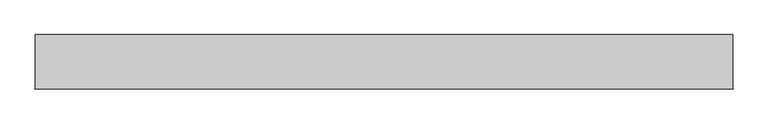
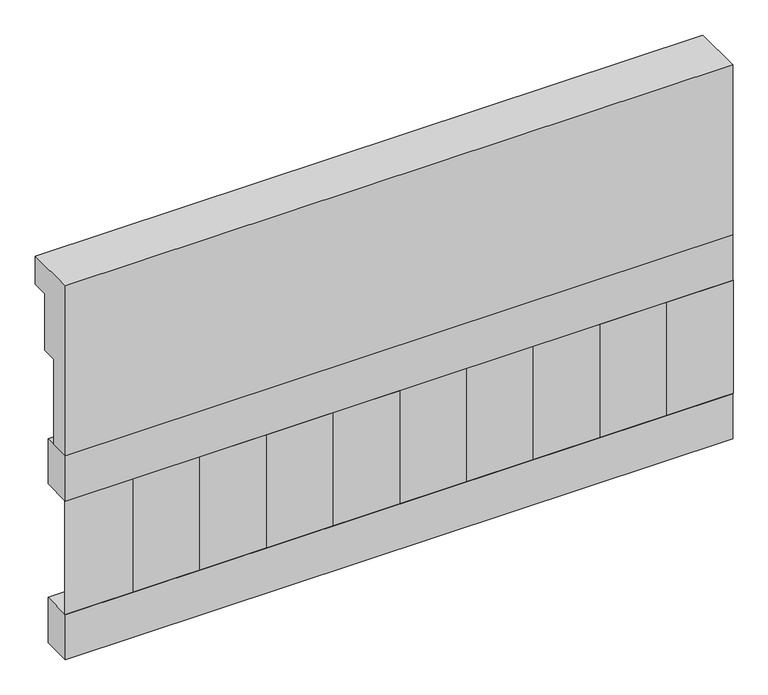
"""IFC4 building model written with IfcOpenShell, lengths in millimetres: railing geometry."""

from ifc_helpers import new_model, si_unit, frame, origin, place, context, project, spatial, polyline, outline, extrude, source, transform, mapped, element, save


def railing_bc76fb91(model_context):
    return source(origin(), model_context, "Body", "SweptSolid", [
        extrude(outline(polyline([(903.1079487, 21800.0), (1033.1079487, 21800.0), (1033.1079487, 21725.0), (993.1079487, 21725.0), (993.1079487, 21575.0), (953.1079487, 21575.0), (953.1079487, 21350.0), (903.1079487, 21350.0), (903.1079487, 21800.0)])), frame((-33139.9887159, 0.0, 0.0), z_axis=(1.0, 0.0, 0.0), x_axis=(0.0, 1.0, 0.0)), (0.0, 0.0, 1.0), 1670.0),
        extrude(outline(polyline([(-31469.9887159, 978.1079487), (-31469.9887159, 903.1079487), (-33139.9887159, 903.1079487), (-33139.9887159, 978.1079487), (-31469.9887159, 978.1079487)])), frame((0.0, 0.0, 21230.0), z_axis=(0.0, 0.0, 1.0), x_axis=(1.0, 0.0, 0.0)), (0.0, 0.0, 1.0), 120.0),
        extrude(outline(polyline([(-31469.9887159, 978.1079487), (-31469.9887159, 903.1079487), (-33139.9887159, 903.1079487), (-33139.9887159, 978.1079487), (-31469.9887159, 978.1079487)])), frame((0.0, 0.0, 20810.0), z_axis=(0.0, 0.0, 1.0), x_axis=(1.0, 0.0, 0.0)), (0.0, 0.0, 1.0), 120.0),
        extrude(outline(polyline([(-33056.4887159, 987.9607624), (-32971.6359022, 903.1079487), (-33141.3415296, 903.1079487), (-33056.4887159, 987.9607624)])), frame((0.0, 0.0, 20930.0), z_axis=(0.0, 0.0, 1.0), x_axis=(1.0, 0.0, 0.0)), (0.0, 0.0, 1.0), 300.0),
        extrude(outline(polyline([(-32889.4887159, 987.9607624), (-32804.6359022, 903.1079487), (-32974.3415296, 903.1079487), (-32889.4887159, 987.9607624)])), frame((0.0, 0.0, 20930.0), z_axis=(0.0, 0.0, 1.0), x_axis=(1.0, 0.0, 0.0)), (0.0, 0.0, 1.0), 300.0),
        extrude(outline(polyline([(-32722.4887159, 987.9607624), (-32637.6359022, 903.1079487), (-32807.3415296, 903.1079487), (-32722.4887159, 987.9607624)])), frame((0.0, 0.0, 20930.0), z_axis=(0.0, 0.0, 1.0), x_axis=(1.0, 0.0, 0.0)), (0.0, 0.0, 1.0), 300.0),
        extrude(outline(polyline([(-32555.4887159, 987.9607624), (-32470.6359022, 903.1079487), (-32640.3415296, 903.1079487), (-32555.4887159, 987.9607624)])), frame((0.0, 0.0, 20930.0), z_axis=(0.0, 0.0, 1.0), x_axis=(1.0, 0.0, 0.0)), (0.0, 0.0, 1.0), 300.0),
        extrude(outline(polyline([(-32388.4887159, 987.9607624), (-32303.6359022, 903.1079487), (-32473.3415296, 903.1079487), (-32388.4887159, 987.9607624)])), frame((0.0, 0.0, 20930.0), z_axis=(0.0, 0.0, 1.0), x_axis=(1.0, 0.0, 0.0)), (0.0, 0.0, 1.0), 300.0),
        extrude(outline(polyline([(-32221.4887159, 987.9607624), (-32136.6359022, 903.1079487), (-32306.3415296, 903.1079487), (-32221.4887159, 987.9607624)])), frame((0.0, 0.0, 20930.0), z_axis=(0.0, 0.0, 1.0), x_axis=(1.0, 0.0, 0.0)), (0.0, 0.0, 1.0), 300.0),
        extrude(outline(polyline([(-32054.4887159, 987.9607624), (-31969.6359022, 903.1079487), (-32139.3415296, 903.1079487), (-32054.4887159, 987.9607624)])), frame((0.0, 0.0, 20930.0), z_axis=(0.0, 0.0, 1.0), x_axis=(1.0, 0.0, 0.0)), (0.0, 0.0, 1.0), 300.0),
        extrude(outline(polyline([(-31887.4887159, 987.9607624), (-31802.6359022, 903.1079487), (-31972.3415296, 903.1079487), (-31887.4887159, 987.9607624)])), frame((0.0, 0.0, 20930.0), z_axis=(0.0, 0.0, 1.0), x_axis=(1.0, 0.0, 0.0)), (0.0, 0.0, 1.0), 300.0),
        extrude(outline(polyline([(-31720.4887159, 987.9607624), (-31635.6359022, 903.1079487), (-31805.3415296, 903.1079487), (-31720.4887159, 987.9607624)])), frame((0.0, 0.0, 20930.0), z_axis=(0.0, 0.0, 1.0), x_axis=(1.0, 0.0, 0.0)), (0.0, 0.0, 1.0), 300.0),
        extrude(outline(polyline([(-31553.4887159, 987.9607624), (-31468.6359022, 903.1079487), (-31638.3415296, 903.1079487), (-31553.4887159, 987.9607624)])), frame((0.0, 0.0, 20930.0), z_axis=(0.0, 0.0, 1.0), x_axis=(1.0, 0.0, 0.0)), (0.0, 0.0, 1.0), 300.0),
    ])


if __name__ == "__main__":
    model = new_model("IFC4")
    model_context = context("Model", 3, world=origin())
    ifc_project = project(units=[si_unit("LENGTHUNIT", "METRE", prefix="MILLI")], contexts=[model_context])
    site = spatial("IfcSite", under=ifc_project)
    building = spatial("IfcBuilding", under=site)
    placement = place(None, origin())
    railing_shape = railing_bc76fb91(model_context)
    element("IfcRailing", 1, at=placement, inside=building, context=model_context, shape_type="MappedRepresentation", body=[
        mapped(railing_shape, transform((0.0, 0.0, 0.0), x_axis=(1.0, 0.0, 0.0), y_axis=(0.0, 1.0, 0.0), z_axis=(0.0, 0.0, 1.0))),
    ])
    save(model, "model.ifc")
